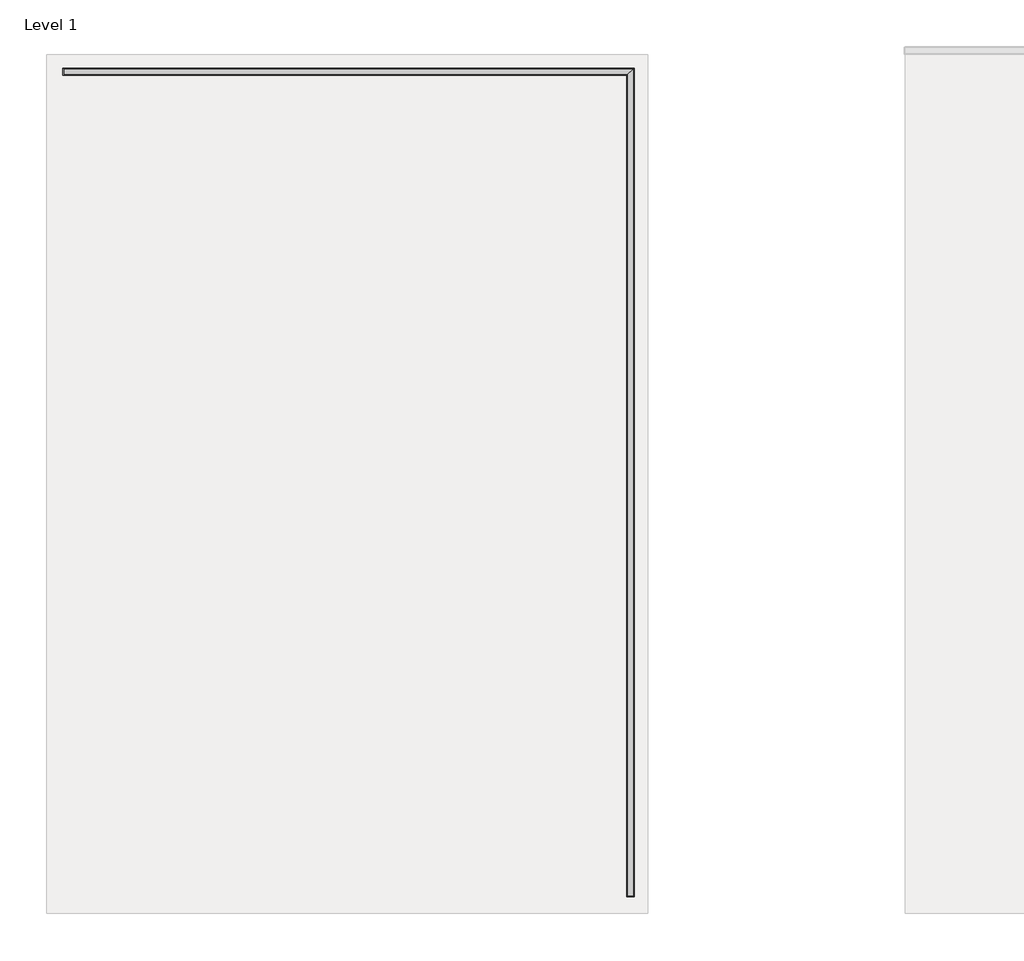
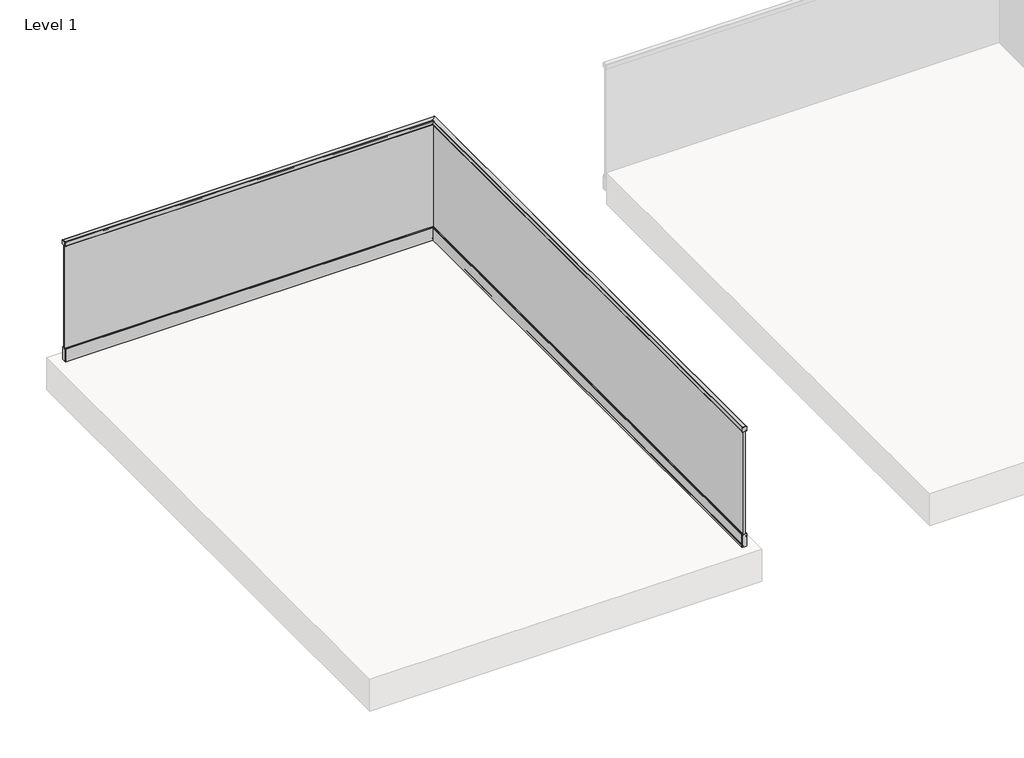
# One storey, part 6 of 11: 1 railing.
"""IFC4 building model written with IfcOpenShell, lengths in millimetres."""

from ifc_helpers import new_model, si_unit, frame, origin, place, context, project, spatial, polyline, circle_curve, ellipse_curve, outline, extrude, faceted_brep, element, save
from ifc_brep_helpers import plane_surface, cylinder_surface, revolved_surface, advanced_brep

model = new_model("IFC4")

# Units and contexts
model_context = context("Model", 3, world=origin())
ifc_project = project(units=[si_unit("LENGTHUNIT", "METRE", prefix="MILLI")], contexts=[model_context])

# Site, building, storey
site = spatial("IfcSite", under=ifc_project)
building = spatial("IfcBuilding", under=site)
storey = spatial("IfcBuildingStorey", under=building, Name="Level 1", Elevation=0.0)

# Railing
placement = place(None, origin())
element("IfcRailing", 1, at=placement, inside=storey, context=model_context, shape_type="SolidModel", body=[
    extrude(outline(polyline([(1130.0, -10249.5524845), (1130.0, -10285.5524845), (1094.0, -10285.5524845), (1094.0, -10284.0524845), (1128.5, -10284.0524845), (1128.5, -10251.0524845), (1094.0, -10251.0524845), (1094.0, -10249.5524845), (1130.0, -10249.5524845)])), frame((0.0, -40764.3362173, 0.0), z_axis=(0.0, 1.0, 0.0), x_axis=(0.0, 0.0, 1.0)), (0.0, 0.0, 1.0), 30.0),
    extrude(outline(polyline([(-10247.5524845, -40768.3362173), (-10287.5524845, -40768.3362173), (-10287.5524845, -40764.3362173), (-10247.5524845, -40764.3362173), (-10247.5524845, -40768.3362173)])), frame((0.0, 0.0, 1092.0), z_axis=(0.0, 0.0, 1.0), x_axis=(1.0, 0.0, 0.0)), (0.0, 0.0, 1.0), 40.0),
    extrude(outline(polyline([(-35981.3362173, 1130.0), (-35945.3362173, 1130.0), (-35945.3362173, 1094.0), (-35946.8362173, 1094.0), (-35946.8362173, 1128.5), (-35979.8362173, 1128.5), (-35979.8362173, 1094.0), (-35981.3362173, 1094.0), (-35981.3362173, 1130.0)])), frame((-13568.5524845, 0.0, 0.0), z_axis=(1.0, 0.0, 0.0), x_axis=(0.0, 1.0, 0.0)), (0.0, 0.0, 1.0), 30.0),
    extrude(outline(polyline([(-13572.5524845, -35983.3362173), (-13572.5524845, -35943.3362173), (-13568.5524845, -35943.3362173), (-13568.5524845, -35983.3362173), (-13572.5524845, -35983.3362173)])), frame((0.0, 0.0, 1092.0), z_axis=(0.0, 0.0, 1.0), x_axis=(1.0, 0.0, 0.0)), (0.0, 0.0, 1.0), 40.0),
    advanced_brep(
    [(-10255.5524845, -35951.3362173, 1116.0), (-10255.5524845, -35951.3362173, 1093.5), (-10255.5524845, -40763.3362173, 1093.5), (-10255.5524845, -40763.3362173, 1116.0), (-10279.5524845, -35975.3362173, 1093.5), (-10279.5524845, -35975.3362173, 1116.0), (-10279.5524845, -40763.3362173, 1116.0), (-10279.5524845, -40763.3362173, 1093.5), (-10281.0524845, -35976.8362173, 1092.0), (-10281.0524845, -40763.3362173, 1092.0), (-10286.0524845, -35981.8362173, 1092.0), (-10286.0524845, -40763.3362173, 1092.0), (-10287.5524845, -35983.3362173, 1093.5), (-10287.5524845, -40763.3362173, 1093.5), (-10287.5524845, -35983.3362173, 1130.5), (-10287.5524845, -40763.3362173, 1130.5), (-10286.0524845, -35981.8362173, 1132.0), (-10286.0524845, -40763.3362173, 1132.0), (-10249.0524845, -35944.8362173, 1132.0), (-10249.0524845, -40763.3362173, 1132.0), (-10247.5524845, -35943.3362173, 1130.5), (-10247.5524845, -40763.3362173, 1130.5), (-10247.5524845, -35943.3362173, 1093.5), (-10247.5524845, -40763.3362173, 1093.5), (-10249.0524845, -35944.8362173, 1092.0), (-10249.0524845, -40763.3362173, 1092.0), (-10254.0524845, -35949.8362173, 1092.0), (-10254.0524845, -40763.3362173, 1092.0), (-13567.5524845, -35975.3362173, 1116.0), (-13567.5524845, -35951.3362173, 1116.0), (-13567.5524845, -35975.3362173, 1093.5), (-13567.5524845, -35976.8362173, 1092.0), (-13567.5524845, -35981.8362173, 1092.0), (-13567.5524845, -35983.3362173, 1093.5), (-13567.5524845, -35983.3362173, 1130.5), (-13567.5524845, -35981.8362173, 1132.0), (-13567.5524845, -35944.8362173, 1132.0), (-13567.5524845, -35943.3362173, 1130.5), (-13567.5524845, -35943.3362173, 1093.5), (-13567.5524845, -35944.8362173, 1092.0), (-13567.5524845, -35949.8362173, 1092.0), (-13567.5524845, -35951.3362173, 1093.5), (-13568.5524845, -35951.3362173, 1116.0), (-13568.5524845, -35975.3362173, 1116.0), (-13568.5524845, -35975.3362173, 1093.5), (-13568.5524845, -35976.8362173, 1092.0), (-13568.5524845, -35981.8362173, 1092.0), (-13568.5524845, -35983.3362173, 1093.5), (-13568.5524845, -35983.3362173, 1130.5), (-13568.5524845, -35981.8362173, 1132.0), (-13568.5524845, -35944.8362173, 1132.0), (-13568.5524845, -35943.3362173, 1130.5), (-13568.5524845, -35943.3362173, 1093.5), (-13568.5524845, -35944.8362173, 1092.0), (-13568.5524845, -35949.8362173, 1092.0), (-13568.5524845, -35951.3362173, 1093.5), (-10255.5524845, -40764.3362173, 1116.0), (-10255.5524845, -40764.3362173, 1093.5), (-10254.0524845, -40764.3362173, 1092.0), (-10249.0524845, -40764.3362173, 1092.0), (-10247.5524845, -40764.3362173, 1093.5), (-10247.5524845, -40764.3362173, 1130.5), (-10249.0524845, -40764.3362173, 1132.0), (-10286.0524845, -40764.3362173, 1132.0), (-10287.5524845, -40764.3362173, 1130.5), (-10287.5524845, -40764.3362173, 1093.5), (-10286.0524845, -40764.3362173, 1092.0), (-10281.0524845, -40764.3362173, 1092.0), (-10279.5524845, -40764.3362173, 1093.5), (-10279.5524845, -40764.3362173, 1116.0)],
    [
        (0, 1),
        (1, 2),
        (2, 3),
        (3, 0),
        (4, 5),
        (5, 6),
        (6, 7),
        (7, 4),
        (5, 0),
        (3, 6),
        (8, 4, ellipse_curve(frame((-10281.0524845, -35976.8362173, 1093.5), z_axis=(0.7071067811865457, -0.7071067811865493, 0.0), x_axis=(0.7071067811865492, 0.7071067811865457, 0.0)), 2.1213203, 1.5)),
        (7, 9, circle_curve(frame((-10281.0524845, -40763.3362173, 1093.5), z_axis=(0.0, 1.0, 0.0), x_axis=(1.0, 0.0, 0.0)), 1.5)),
        (9, 8),
        (10, 8),
        (9, 11),
        (11, 10),
        (12, 10, ellipse_curve(frame((-10286.0524845, -35981.8362173, 1093.5), z_axis=(0.7071067811865457, -0.7071067811865493, 0.0), x_axis=(0.7071067811865492, 0.7071067811865457, 0.0)), 2.1213203, 1.5)),
        (11, 13, circle_curve(frame((-10286.0524845, -40763.3362173, 1093.5), z_axis=(0.0, 1.0, 0.0), x_axis=(1.0, 0.0, 0.0)), 1.5)),
        (13, 12),
        (14, 12),
        (13, 15),
        (15, 14),
        (16, 14, ellipse_curve(frame((-10286.0524845, -35981.8362173, 1130.5), z_axis=(0.7071067811865457, -0.7071067811865493, 0.0), x_axis=(0.7071067811865492, 0.7071067811865457, 0.0)), 2.1213203, 1.5)),
        (15, 17, circle_curve(frame((-10286.0524845, -40763.3362173, 1130.5), z_axis=(0.0, 1.0, 0.0), x_axis=(1.0, 0.0, 0.0)), 1.5)),
        (17, 16),
        (18, 16),
        (17, 19),
        (19, 18),
        (20, 18, ellipse_curve(frame((-10249.0524845, -35944.8362173, 1130.5), z_axis=(0.7071067811865457, -0.7071067811865493, 0.0), x_axis=(0.7071067811865492, 0.7071067811865457, 0.0)), 2.1213203, 1.5)),
        (19, 21, circle_curve(frame((-10249.0524845, -40763.3362173, 1130.5), z_axis=(0.0, 1.0, 0.0), x_axis=(1.0, 0.0, 0.0)), 1.5)),
        (21, 20),
        (22, 20),
        (21, 23),
        (23, 22),
        (24, 22, ellipse_curve(frame((-10249.0524845, -35944.8362173, 1093.5), z_axis=(0.7071067811865457, -0.7071067811865493, 0.0), x_axis=(0.7071067811865492, 0.7071067811865457, 0.0)), 2.1213203, 1.5)),
        (23, 25, circle_curve(frame((-10249.0524845, -40763.3362173, 1093.5), z_axis=(0.0, 1.0, 0.0), x_axis=(1.0, 0.0, 0.0)), 1.5)),
        (25, 24),
        (26, 24),
        (25, 27),
        (27, 26),
        (1, 26, ellipse_curve(frame((-10254.0524845, -35949.8362173, 1093.5), z_axis=(0.7071067811865457, -0.7071067811865493, 0.0), x_axis=(0.7071067811865492, 0.7071067811865457, 0.0)), 2.1213203, 1.5)),
        (27, 2, circle_curve(frame((-10254.0524845, -40763.3362173, 1093.5), z_axis=(0.0, 1.0, 0.0), x_axis=(1.0, 0.0, 0.0)), 1.5)),
        (28, 29),
        (29, 0),
        (5, 28),
        (30, 28),
        (4, 30),
        (31, 30, circle_curve(frame((-13567.5524845, -35976.8362173, 1093.5), z_axis=(1.0, 0.0, 0.0), x_axis=(0.0, 1.0, 0.0)), 1.5)),
        (8, 31),
        (32, 31),
        (10, 32),
        (33, 32, circle_curve(frame((-13567.5524845, -35981.8362173, 1093.5), z_axis=(1.0, 0.0, 0.0), x_axis=(0.0, 1.0, 0.0)), 1.5)),
        (12, 33),
        (34, 33),
        (14, 34),
        (35, 34, circle_curve(frame((-13567.5524845, -35981.8362173, 1130.5), z_axis=(1.0, 0.0, 0.0), x_axis=(0.0, 1.0, 0.0)), 1.5)),
        (16, 35),
        (36, 35),
        (18, 36),
        (37, 36, circle_curve(frame((-13567.5524845, -35944.8362173, 1130.5), z_axis=(1.0, 0.0, 0.0), x_axis=(0.0, 1.0, 0.0)), 1.5)),
        (20, 37),
        (38, 37),
        (22, 38),
        (39, 38, circle_curve(frame((-13567.5524845, -35944.8362173, 1093.5), z_axis=(1.0, 0.0, 0.0), x_axis=(0.0, 1.0, 0.0)), 1.5)),
        (24, 39),
        (40, 39),
        (26, 40),
        (41, 40, circle_curve(frame((-13567.5524845, -35949.8362173, 1093.5), z_axis=(1.0, 0.0, 0.0), x_axis=(0.0, 1.0, 0.0)), 1.5)),
        (1, 41),
        (29, 41),
        (42, 43),
        (43, 44),
        (44, 45, circle_curve(frame((-13568.5524845, -35976.8362173, 1093.5), z_axis=(-1.0, 0.0, 0.0), x_axis=(0.0, 1.0, 0.0)), 1.5)),
        (45, 46),
        (46, 47, circle_curve(frame((-13568.5524845, -35981.8362173, 1093.5), z_axis=(-1.0, 0.0, 0.0), x_axis=(0.0, 1.0, 0.0)), 1.5)),
        (47, 48),
        (48, 49, circle_curve(frame((-13568.5524845, -35981.8362173, 1130.5), z_axis=(-1.0, 0.0, 0.0), x_axis=(0.0, 1.0, 0.0)), 1.5)),
        (49, 50),
        (50, 51, circle_curve(frame((-13568.5524845, -35944.8362173, 1130.5), z_axis=(-1.0, 0.0, 0.0), x_axis=(0.0, 1.0, 0.0)), 1.5)),
        (51, 52),
        (52, 53, circle_curve(frame((-13568.5524845, -35944.8362173, 1093.5), z_axis=(-1.0, 0.0, 0.0), x_axis=(0.0, 1.0, 0.0)), 1.5)),
        (53, 54),
        (54, 55, circle_curve(frame((-13568.5524845, -35949.8362173, 1093.5), z_axis=(-1.0, 0.0, 0.0), x_axis=(0.0, 1.0, 0.0)), 1.5)),
        (55, 42),
        (42, 29),
        (28, 43),
        (30, 44),
        (31, 45),
        (32, 46),
        (33, 47),
        (34, 48),
        (35, 49),
        (36, 50),
        (37, 51),
        (38, 52),
        (39, 53),
        (40, 54),
        (41, 55),
        (56, 57),
        (57, 58, circle_curve(frame((-10254.0524845, -40764.3362173, 1093.5), z_axis=(0.0, -1.0, 0.0), x_axis=(1.0, 0.0, 0.0)), 1.5)),
        (58, 59),
        (59, 60, circle_curve(frame((-10249.0524845, -40764.3362173, 1093.5), z_axis=(0.0, -1.0, 0.0), x_axis=(1.0, 0.0, 0.0)), 1.5)),
        (60, 61),
        (61, 62, circle_curve(frame((-10249.0524845, -40764.3362173, 1130.5), z_axis=(0.0, -1.0, 0.0), x_axis=(1.0, 0.0, 0.0)), 1.5)),
        (62, 63),
        (63, 64, circle_curve(frame((-10286.0524845, -40764.3362173, 1130.5), z_axis=(0.0, -1.0, 0.0), x_axis=(1.0, 0.0, 0.0)), 1.5)),
        (64, 65),
        (65, 66, circle_curve(frame((-10286.0524845, -40764.3362173, 1093.5), z_axis=(0.0, -1.0, 0.0), x_axis=(1.0, 0.0, 0.0)), 1.5)),
        (66, 67),
        (67, 68, circle_curve(frame((-10281.0524845, -40764.3362173, 1093.5), z_axis=(0.0, -1.0, 0.0), x_axis=(1.0, 0.0, 0.0)), 1.5)),
        (68, 69),
        (69, 56),
        (3, 56),
        (69, 6),
        (68, 7),
        (67, 9),
        (66, 11),
        (65, 13),
        (64, 15),
        (63, 17),
        (62, 19),
        (61, 21),
        (60, 23),
        (59, 25),
        (58, 27),
        (57, 2),
    ],
    [
        plane_surface(frame((-10255.5524845, -35951.3362173, 1093.5), z_axis=(-1.0, 0.0, 0.0), x_axis=(0.0, -1.0, 0.0))),
        plane_surface(frame((-10279.5524845, -35975.3362173, 1116.0), z_axis=(1.0, 0.0, 0.0), x_axis=(0.0, -1.0, 0.0))),
        plane_surface(frame((-10255.5524845, -35951.3362173, 1116.0), z_axis=(0.0, 0.0, -1.0), x_axis=(0.0, -1.0, 0.0))),
        cylinder_surface(frame((-10281.0524845, -35963.3362173, 1093.5), z_axis=(0.0, 1.0, 0.0), x_axis=(1.0, 0.0, 0.0)), 1.5),
        plane_surface(frame((-10281.0524845, -35976.8362173, 1092.0), z_axis=(0.0, 0.0, -1.0), x_axis=(0.0, -1.0, 0.0))),
        cylinder_surface(frame((-10286.0524845, -35963.3362173, 1093.5), z_axis=(0.0, 1.0, 0.0), x_axis=(1.0, 0.0, 0.0)), 1.5),
        plane_surface(frame((-10287.5524845, -35983.3362173, 1093.5), z_axis=(-1.0, 0.0, 0.0), x_axis=(0.0, -1.0, 0.0))),
        cylinder_surface(frame((-10286.0524845, -35963.3362173, 1130.5), z_axis=(0.0, 1.0, 0.0), x_axis=(1.0, 0.0, 0.0)), 1.5),
        plane_surface(frame((-10286.0524845, -35981.8362173, 1132.0), z_axis=(0.0, 0.0, 1.0), x_axis=(0.0, -1.0, 0.0))),
        cylinder_surface(frame((-10249.0524845, -35963.3362173, 1130.5), z_axis=(0.0, 1.0, 0.0), x_axis=(1.0, 0.0, 0.0)), 1.5),
        plane_surface(frame((-10247.5524845, -35943.3362173, 1130.5), z_axis=(1.0, 0.0, 0.0), x_axis=(0.0, -1.0, 0.0))),
        cylinder_surface(frame((-10249.0524845, -35963.3362173, 1093.5), z_axis=(0.0, 1.0, 0.0), x_axis=(1.0, 0.0, 0.0)), 1.5),
        plane_surface(frame((-10249.0524845, -35944.8362173, 1092.0), z_axis=(0.0, 0.0, -1.0), x_axis=(0.0, -1.0, 0.0))),
        cylinder_surface(frame((-10254.0524845, -35963.3362173, 1093.5), z_axis=(0.0, 1.0, 0.0), x_axis=(1.0, 0.0, 0.0)), 1.5),
        plane_surface(frame((-13567.5524845, -35951.3362173, 1116.0), z_axis=(0.0, 0.0, -1.0), x_axis=(1.0, 0.0, 0.0))),
        plane_surface(frame((-13567.5524845, -35975.3362173, 1116.0), z_axis=(0.0, 1.0, 0.0), x_axis=(1.0, 0.0, 0.0))),
        cylinder_surface(frame((-13567.5524845, -35976.8362173, 1093.5), z_axis=(-1.0, 0.0, 0.0), x_axis=(0.0, 1.0, 0.0)), 1.5),
        plane_surface(frame((-13567.5524845, -35976.8362173, 1092.0), z_axis=(0.0, 0.0, -1.0), x_axis=(1.0, 0.0, 0.0))),
        cylinder_surface(frame((-13567.5524845, -35981.8362173, 1093.5), z_axis=(-1.0, 0.0, 0.0), x_axis=(0.0, 1.0, 0.0)), 1.5),
        plane_surface(frame((-13567.5524845, -35983.3362173, 1093.5), z_axis=(0.0, -1.0, 0.0), x_axis=(1.0, 0.0, 0.0))),
        cylinder_surface(frame((-13567.5524845, -35981.8362173, 1130.5), z_axis=(-1.0, 0.0, 0.0), x_axis=(0.0, 1.0, 0.0)), 1.5),
        plane_surface(frame((-13567.5524845, -35981.8362173, 1132.0), z_axis=(0.0, 0.0, 1.0), x_axis=(1.0, 0.0, 0.0))),
        cylinder_surface(frame((-13567.5524845, -35944.8362173, 1130.5), z_axis=(-1.0, 0.0, 0.0), x_axis=(0.0, 1.0, 0.0)), 1.5),
        plane_surface(frame((-13567.5524845, -35943.3362173, 1130.5), z_axis=(0.0, 1.0, 0.0), x_axis=(1.0, 0.0, 0.0))),
        cylinder_surface(frame((-13567.5524845, -35944.8362173, 1093.5), z_axis=(-1.0, 0.0, 0.0), x_axis=(0.0, 1.0, 0.0)), 1.5),
        plane_surface(frame((-13567.5524845, -35944.8362173, 1092.0), z_axis=(0.0, 0.0, -1.0), x_axis=(1.0, 0.0, 0.0))),
        cylinder_surface(frame((-13567.5524845, -35949.8362173, 1093.5), z_axis=(-1.0, 0.0, 0.0), x_axis=(0.0, 1.0, 0.0)), 1.5),
        plane_surface(frame((-13567.5524845, -35951.3362173, 1093.5), z_axis=(0.0, -1.0, 0.0), x_axis=(1.0, 0.0, 0.0))),
        plane_surface(frame((-13568.5524845, -35963.3362173, 1116.0), z_axis=(-1.0, 0.0, 0.0), x_axis=(0.0, 1.0, 0.0))),
        plane_surface(frame((-13568.5524845, -35951.3362173, 1116.0), z_axis=(0.0, 0.0, -1.0), x_axis=(1.0, 0.0, 0.0))),
        plane_surface(frame((-13568.5524845, -35975.3362173, 1116.0), z_axis=(0.0, 1.0, 0.0), x_axis=(1.0, 0.0, 0.0))),
        cylinder_surface(frame((-13568.5524845, -35976.8362173, 1093.5), z_axis=(-1.0, 0.0, 0.0), x_axis=(0.0, 1.0, 0.0)), 1.5),
        plane_surface(frame((-13568.5524845, -35976.8362173, 1092.0), z_axis=(0.0, 0.0, -1.0), x_axis=(1.0, 0.0, 0.0))),
        cylinder_surface(frame((-13568.5524845, -35981.8362173, 1093.5), z_axis=(-1.0, 0.0, 0.0), x_axis=(0.0, 1.0, 0.0)), 1.5),
        plane_surface(frame((-13568.5524845, -35983.3362173, 1093.5), z_axis=(0.0, -1.0, 0.0), x_axis=(1.0, 0.0, 0.0))),
        cylinder_surface(frame((-13568.5524845, -35981.8362173, 1130.5), z_axis=(-1.0, 0.0, 0.0), x_axis=(0.0, 1.0, 0.0)), 1.5),
        plane_surface(frame((-13568.5524845, -35981.8362173, 1132.0), z_axis=(0.0, 0.0, 1.0), x_axis=(1.0, 0.0, 0.0))),
        cylinder_surface(frame((-13568.5524845, -35944.8362173, 1130.5), z_axis=(-1.0, 0.0, 0.0), x_axis=(0.0, 1.0, 0.0)), 1.5),
        plane_surface(frame((-13568.5524845, -35943.3362173, 1130.5), z_axis=(0.0, 1.0, 0.0), x_axis=(1.0, 0.0, 0.0))),
        cylinder_surface(frame((-13568.5524845, -35944.8362173, 1093.5), z_axis=(-1.0, 0.0, 0.0), x_axis=(0.0, 1.0, 0.0)), 1.5),
        plane_surface(frame((-13568.5524845, -35944.8362173, 1092.0), z_axis=(0.0, 0.0, -1.0), x_axis=(1.0, 0.0, 0.0))),
        cylinder_surface(frame((-13568.5524845, -35949.8362173, 1093.5), z_axis=(-1.0, 0.0, 0.0), x_axis=(0.0, 1.0, 0.0)), 1.5),
        plane_surface(frame((-13568.5524845, -35951.3362173, 1093.5), z_axis=(0.0, -1.0, 0.0), x_axis=(1.0, 0.0, 0.0))),
        plane_surface(frame((-10267.5524845, -40764.3362173, 1116.0), z_axis=(0.0, -1.0, 0.0), x_axis=(0.0, 0.0, -1.0))),
        plane_surface(frame((-10255.5524845, -40763.3362173, 1116.0), z_axis=(0.0, 0.0, -1.0), x_axis=(0.0, -1.0, 0.0))),
        plane_surface(frame((-10279.5524845, -40763.3362173, 1116.0), z_axis=(1.0, 0.0, 0.0), x_axis=(0.0, -1.0, 0.0))),
        cylinder_surface(frame((-10281.0524845, -40763.3362173, 1093.5), z_axis=(0.0, 1.0, 0.0), x_axis=(1.0, 0.0, 0.0)), 1.5),
        plane_surface(frame((-10281.0524845, -40763.3362173, 1092.0), z_axis=(0.0, 0.0, -1.0), x_axis=(0.0, -1.0, 0.0))),
        cylinder_surface(frame((-10286.0524845, -40763.3362173, 1093.5), z_axis=(0.0, 1.0, 0.0), x_axis=(1.0, 0.0, 0.0)), 1.5),
        plane_surface(frame((-10287.5524845, -40763.3362173, 1093.5), z_axis=(-1.0, 0.0, 0.0), x_axis=(0.0, -1.0, 0.0))),
        cylinder_surface(frame((-10286.0524845, -40763.3362173, 1130.5), z_axis=(0.0, 1.0, 0.0), x_axis=(1.0, 0.0, 0.0)), 1.5),
        plane_surface(frame((-10286.0524845, -40763.3362173, 1132.0), z_axis=(0.0, 0.0, 1.0), x_axis=(0.0, -1.0, 0.0))),
        cylinder_surface(frame((-10249.0524845, -40763.3362173, 1130.5), z_axis=(0.0, 1.0, 0.0), x_axis=(1.0, 0.0, 0.0)), 1.5),
        plane_surface(frame((-10247.5524845, -40763.3362173, 1130.5), z_axis=(1.0, 0.0, 0.0), x_axis=(0.0, -1.0, 0.0))),
        cylinder_surface(frame((-10249.0524845, -40763.3362173, 1093.5), z_axis=(0.0, 1.0, 0.0), x_axis=(1.0, 0.0, 0.0)), 1.5),
        plane_surface(frame((-10249.0524845, -40763.3362173, 1092.0), z_axis=(0.0, 0.0, -1.0), x_axis=(0.0, -1.0, 0.0))),
        cylinder_surface(frame((-10254.0524845, -40763.3362173, 1093.5), z_axis=(0.0, 1.0, 0.0), x_axis=(1.0, 0.0, 0.0)), 1.5),
        plane_surface(frame((-10255.5524845, -40763.3362173, 1093.5), z_axis=(-1.0, 0.0, 0.0), x_axis=(0.0, -1.0, 0.0))),
    ],
    [
        (0, [[1, 2, 3, 4]]),
        (1, [[5, 6, 7, 8]]),
        (2, [[9, -4, 10, -6]]),
        (3, [[11, -8, 12, 13]]),
        (4, [[14, -13, 15, 16]]),
        (5, [[17, -16, 18, 19]]),
        (6, [[20, -19, 21, 22]]),
        (7, [[23, -22, 24, 25]]),
        (8, [[26, -25, 27, 28]]),
        (9, [[29, -28, 30, 31]]),
        (10, [[32, -31, 33, 34]]),
        (11, [[35, -34, 36, 37]]),
        (12, [[38, -37, 39, 40]]),
        (13, [[41, -40, 42, -2]]),
        (14, [[43, 44, -9, 45]]),
        (15, [[46, -45, -5, 47]]),
        (16, [[48, -47, -11, 49]]),
        (17, [[50, -49, -14, 51]]),
        (18, [[52, -51, -17, 53]]),
        (19, [[54, -53, -20, 55]]),
        (20, [[56, -55, -23, 57]]),
        (21, [[58, -57, -26, 59]]),
        (22, [[60, -59, -29, 61]]),
        (23, [[62, -61, -32, 63]]),
        (24, [[64, -63, -35, 65]]),
        (25, [[66, -65, -38, 67]]),
        (26, [[68, -67, -41, 69]]),
        (27, [[70, -69, -1, -44]]),
        (28, [[71, 72, 73, 74, 75, 76, 77, 78, 79, 80, 81, 82, 83, 84]]),
        (29, [[-71, 85, -43, 86]]),
        (30, [[-72, -86, -46, 87]]),
        (31, [[-73, -87, -48, 88]]),
        (32, [[-74, -88, -50, 89]]),
        (33, [[-75, -89, -52, 90]]),
        (34, [[-76, -90, -54, 91]]),
        (35, [[-77, -91, -56, 92]]),
        (36, [[-78, -92, -58, 93]]),
        (37, [[-79, -93, -60, 94]]),
        (38, [[-80, -94, -62, 95]]),
        (39, [[-81, -95, -64, 96]]),
        (40, [[-82, -96, -66, 97]]),
        (41, [[-83, -97, -68, 98]]),
        (42, [[-84, -98, -70, -85]]),
        (43, [[99, 100, 101, 102, 103, 104, 105, 106, 107, 108, 109, 110, 111, 112]]),
        (44, [[-10, 113, -112, 114]]),
        (45, [[-7, -114, -111, 115]]),
        (46, [[-12, -115, -110, 116]]),
        (47, [[-15, -116, -109, 117]]),
        (48, [[-18, -117, -108, 118]]),
        (49, [[-21, -118, -107, 119]]),
        (50, [[-24, -119, -106, 120]]),
        (51, [[-27, -120, -105, 121]]),
        (52, [[-30, -121, -104, 122]]),
        (53, [[-33, -122, -103, 123]]),
        (54, [[-36, -123, -102, 124]]),
        (55, [[-39, -124, -101, 125]]),
        (56, [[-42, -125, -100, 126]]),
        (57, [[-3, -126, -99, -113]]),
    ],
),
    faceted_brep([(-10258.7924845, -40763.3362173, 1113.0), (-10276.3124845, -40763.3362173, 1113.0), (-10276.3124845, -40763.3362173, 13.0), (-10258.7924845, -40763.3362173, 13.0), (-10276.3124845, -35972.0962173, 1113.0), (-10276.3124845, -35972.0962173, 13.0), (-10258.7924845, -35954.5762173, 1113.0), (-13567.5524845, -35954.5762173, 1113.0), (-13567.5524845, -35954.5762173, 13.0), (-13567.5524845, -35972.0962173, 13.0), (-13567.5524845, -35972.0962173, 1113.0), (-10258.7924845, -35954.5762173, 13.0)], [[[0, 1, 2, 3]], [[4, 5, 2, 1]], [[6, 4, 1, 0]], [[7, 8, 9, 10]], [[10, 9, 5, 4]], [[7, 10, 4, 6]], [[9, 8, 11, 5]], [[8, 7, 6, 11]], [[5, 11, 3, 2]], [[11, 6, 0, 3]]]),
    advanced_brep(
    [(-10288.5524845, -40763.3362173, 120.0004585), (-10288.5524845, -40763.3362173, 0.0), (-10246.5524845, -40763.3362173, 0.0), (-10246.5524845, -40763.3362173, 120.0), (-10252.2524845, -40763.3362173, 120.0), (-10252.2524845, -40763.3362173, 100.0), (-10251.2524845, -40763.3362173, 99.4226497), (-10255.0524845, -40763.3362173, 76.5), (-10255.0524845, -40763.3362173, 11.0), (-10256.0524845, -40763.3362173, 10.0), (-10279.0524845, -40763.3362173, 10.0), (-10280.0524845, -40763.3362173, 11.0), (-10280.0524845, -40763.3362173, 30.0), (-10284.0905991, -40763.3362173, 120.0004585), (-13567.5524845, -35984.3362173, 120.0004585), (-13567.5524845, -35979.8743319, 120.0004585), (-13567.5524845, -35975.8362173, 30.0), (-13567.5524845, -35975.8362173, 11.0), (-13567.5524845, -35974.8362173, 10.0), (-13567.5524845, -35951.8362173, 10.0), (-13567.5524845, -35950.8362173, 11.0), (-13567.5524845, -35950.8362173, 76.5), (-13567.5524845, -35947.0362173, 99.4226497), (-13567.5524845, -35948.0362173, 100.0), (-13567.5524845, -35948.0362173, 120.0), (-13567.5524845, -35942.3362173, 120.0), (-13567.5524845, -35942.3362173, 0.0), (-13567.5524845, -35984.3362173, 0.0), (-10288.5524845, -35984.3362173, 120.0004585), (-10284.0905991, -35979.8743319, 120.0004585), (-10280.0524845, -35975.8362173, 30.0), (-10280.0524845, -35975.8362173, 11.0), (-10279.0524845, -35974.8362173, 10.0), (-10256.0524845, -35951.8362173, 10.0), (-10255.0524845, -35950.8362173, 11.0), (-10255.0524845, -35950.8362173, 76.5), (-10251.2524845, -35947.0362173, 99.4226497), (-10252.2524845, -35948.0362173, 100.0), (-10252.2524845, -35948.0362173, 120.0), (-10246.5524845, -35942.3362173, 120.0), (-10246.5524845, -35942.3362173, 0.0), (-10288.5524845, -35984.3362173, 0.0)],
    [
        (0, 1),
        (1, 2),
        (2, 3),
        (3, 4),
        (4, 5),
        (5, 6),
        (6, 7),
        (7, 8),
        (8, 9, circle_curve(frame((-10256.0524845, -40763.3362173, 11.0), z_axis=(0.0, 1.0, 0.0), x_axis=(1.0, 0.0, 0.0)), 1.0)),
        (9, 10),
        (10, 11, circle_curve(frame((-10279.0524845, -40763.3362173, 11.0), z_axis=(0.0, 1.0, 0.0), x_axis=(1.0, 0.0, 0.0)), 1.0)),
        (11, 12),
        (12, 13),
        (13, 0),
        (14, 15),
        (15, 16),
        (16, 17),
        (17, 18, circle_curve(frame((-13567.5524845, -35974.8362173, 11.0), z_axis=(1.0, 0.0, 0.0), x_axis=(0.0, 1.0, 0.0)), 1.0)),
        (18, 19),
        (19, 20, circle_curve(frame((-13567.5524845, -35951.8362173, 11.0), z_axis=(1.0, 0.0, 0.0), x_axis=(0.0, 1.0, 0.0)), 1.0)),
        (20, 21),
        (21, 22),
        (22, 23),
        (23, 24),
        (24, 25),
        (25, 26),
        (26, 27),
        (27, 14),
        (14, 28),
        (28, 29),
        (29, 15),
        (29, 30),
        (30, 16),
        (30, 31),
        (31, 17),
        (31, 32, ellipse_curve(frame((-10279.0524845, -35974.8362173, 11.0), z_axis=(0.7071067811865457, -0.7071067811865493, 0.0), x_axis=(0.7071067811865492, 0.7071067811865458, 0.0)), 1.4142136, 1.0)),
        (32, 18),
        (32, 33),
        (33, 19),
        (33, 34, ellipse_curve(frame((-10256.0524845, -35951.8362173, 11.0), z_axis=(0.7071067811865457, -0.7071067811865493, 0.0), x_axis=(0.7071067811865492, 0.7071067811865458, 0.0)), 1.4142136, 1.0)),
        (34, 20),
        (34, 35),
        (35, 21),
        (35, 36),
        (36, 22),
        (36, 37),
        (37, 23),
        (37, 38),
        (38, 24),
        (38, 39),
        (39, 25),
        (39, 40),
        (40, 26),
        (40, 41),
        (41, 27),
        (41, 28),
        (28, 0),
        (13, 29),
        (12, 30),
        (11, 31),
        (10, 32),
        (9, 33),
        (8, 34),
        (7, 35),
        (6, 36),
        (5, 37),
        (4, 38),
        (3, 39),
        (2, 40),
        (1, 41),
    ],
    [
        plane_surface(frame((-10267.5524845, -40763.3362173, 0.0), z_axis=(0.0, -1.0, 0.0), x_axis=(0.0, 0.0, -1.0))),
        plane_surface(frame((-13567.5524845, -35963.3362173, 0.0), z_axis=(-1.0, 0.0, 0.0), x_axis=(0.0, 1.0, 0.0))),
        plane_surface(frame((-13567.5524845, -35984.3362173, 120.0004585), z_axis=(0.0, 0.0, 1.0), x_axis=(1.0, 0.0, 0.0))),
        plane_surface(frame((-13567.5524845, -35979.8743319, 120.0004585), z_axis=(0.0, 0.9989949613987466, 0.04482261817338354), x_axis=(1.0, 0.0, 0.0))),
        plane_surface(frame((-13567.5524845, -35975.8362173, 30.0), z_axis=(0.0, 1.0, 0.0), x_axis=(1.0, 0.0, 0.0))),
        revolved_surface(polyline([(-10278.052484473394, -35973.8362173, 11.0), (-13567.5524845, -35973.8362173, 11.0)]), (-13567.5524845, -35974.8362173, 11.0), (1.0, 0.0, 0.0)),
        plane_surface(frame((-13567.5524845, -35974.8362173, 10.0), z_axis=(0.0, 0.0, 1.0), x_axis=(1.0, 0.0, 0.0))),
        revolved_surface(polyline([(-10255.052484473394, -35950.8362173, 11.0), (-13567.5524845, -35950.8362173, 11.0)]), (-13567.5524845, -35951.8362173, 11.0), (1.0, 0.0, 0.0)),
        plane_surface(frame((-13567.5524845, -35950.8362173, 11.0), z_axis=(0.0, -1.0, 0.0), x_axis=(1.0, 0.0, 0.0))),
        plane_surface(frame((-13567.5524845, -35950.8362173, 76.5), z_axis=(0.0, -0.9865362159973996, 0.16354294397965358), x_axis=(1.0, 0.0, 0.0))),
        plane_surface(frame((-13567.5524845, -35947.0362173, 99.4226497), z_axis=(0.0, -0.4999999999996219, -0.866025403784657), x_axis=(1.0, 0.0, 0.0))),
        plane_surface(frame((-13567.5524845, -35948.0362173, 100.0), z_axis=(0.0, -1.0, 0.0), x_axis=(1.0, 0.0, 0.0))),
        plane_surface(frame((-13567.5524845, -35948.0362173, 120.0), z_axis=(0.0, 0.0, 1.0), x_axis=(1.0, 0.0, 0.0))),
        plane_surface(frame((-13567.5524845, -35942.3362173, 120.0), z_axis=(0.0, 1.0, 0.0), x_axis=(1.0, 0.0, 0.0))),
        plane_surface(frame((-13567.5524845, -35942.3362173, 0.0), z_axis=(0.0, 0.0, -1.0), x_axis=(1.0, 0.0, 0.0))),
        plane_surface(frame((-13567.5524845, -35984.3362173, 0.0), z_axis=(0.0, -1.0, 0.0), x_axis=(1.0, 0.0, 0.0))),
        plane_surface(frame((-10288.5524845, -35984.3362173, 120.0004585), z_axis=(0.0, 0.0, 1.0), x_axis=(0.0, -1.0, 0.0))),
        plane_surface(frame((-10284.0905991, -35979.8743319, 120.0004585), z_axis=(0.9989949613987466, 0.0, 0.04482261817338354), x_axis=(0.0, -1.0, 0.0))),
        plane_surface(frame((-10280.0524845, -35975.8362173, 30.0), z_axis=(1.0, 0.0, 0.0), x_axis=(0.0, -1.0, 0.0))),
        revolved_surface(polyline([(-10278.0524845, -40763.3362173, 11.0), (-10278.0524845, -35973.83621727339, 11.0)]), (-10279.0524845, -35963.3362173, 11.0), (0.0, -1.0, 0.0)),
        plane_surface(frame((-10279.0524845, -35974.8362173, 10.0), z_axis=(0.0, 0.0, 1.0), x_axis=(0.0, -1.0, 0.0))),
        revolved_surface(polyline([(-10255.0524845, -40763.3362173, 11.0), (-10255.0524845, -35950.83621727339, 11.0)]), (-10256.0524845, -35963.3362173, 11.0), (0.0, -1.0, 0.0)),
        plane_surface(frame((-10255.0524845, -35950.8362173, 11.0), z_axis=(-1.0, 0.0, 0.0), x_axis=(0.0, -1.0, 0.0))),
        plane_surface(frame((-10255.0524845, -35950.8362173, 76.5), z_axis=(-0.9865362159973996, 0.0, 0.16354294397965358), x_axis=(0.0, -1.0, 0.0))),
        plane_surface(frame((-10251.2524845, -35947.0362173, 99.4226497), z_axis=(-0.4999999999996219, 0.0, -0.866025403784657), x_axis=(0.0, -1.0, 0.0))),
        plane_surface(frame((-10252.2524845, -35948.0362173, 100.0), z_axis=(-1.0, 0.0, 0.0), x_axis=(0.0, -1.0, 0.0))),
        plane_surface(frame((-10252.2524845, -35948.0362173, 120.0), z_axis=(0.0, 0.0, 1.0), x_axis=(0.0, -1.0, 0.0))),
        plane_surface(frame((-10246.5524845, -35942.3362173, 120.0), z_axis=(1.0, 0.0, 0.0), x_axis=(0.0, -1.0, 0.0))),
        plane_surface(frame((-10246.5524845, -35942.3362173, 0.0), z_axis=(0.0, 0.0, -1.0), x_axis=(0.0, -1.0, 0.0))),
        plane_surface(frame((-10288.5524845, -35984.3362173, 0.0), z_axis=(-1.0, 0.0, 0.0), x_axis=(0.0, -1.0, 0.0))),
    ],
    [
        (0, [[1, 2, 3, 4, 5, 6, 7, 8, 9, 10, 11, 12, 13, 14]]),
        (1, [[15, 16, 17, 18, 19, 20, 21, 22, 23, 24, 25, 26, 27, 28]]),
        (2, [[-15, 29, 30, 31]]),
        (3, [[-16, -31, 32, 33]]),
        (4, [[-17, -33, 34, 35]]),
        (5, [[-18, -35, 36, 37]]),
        (6, [[-19, -37, 38, 39]]),
        (7, [[-20, -39, 40, 41]]),
        (8, [[-21, -41, 42, 43]]),
        (9, [[-22, -43, 44, 45]]),
        (10, [[-23, -45, 46, 47]]),
        (11, [[-24, -47, 48, 49]]),
        (12, [[-25, -49, 50, 51]]),
        (13, [[-26, -51, 52, 53]]),
        (14, [[-27, -53, 54, 55]]),
        (15, [[-28, -55, 56, -29]]),
        (16, [[-30, 57, -14, 58]]),
        (17, [[-32, -58, -13, 59]]),
        (18, [[-34, -59, -12, 60]]),
        (19, [[-36, -60, -11, 61]]),
        (20, [[-38, -61, -10, 62]]),
        (21, [[-40, -62, -9, 63]]),
        (22, [[-42, -63, -8, 64]]),
        (23, [[-44, -64, -7, 65]]),
        (24, [[-46, -65, -6, 66]]),
        (25, [[-48, -66, -5, 67]]),
        (26, [[-50, -67, -4, 68]]),
        (27, [[-52, -68, -3, 69]]),
        (28, [[-54, -69, -2, 70]]),
        (29, [[-56, -70, -1, -57]]),
    ],
),
    faceted_brep([(-10280.1367966, -40763.3362173, 36.3411595), (-10278.1615116, -40763.3362173, 36.3411595), (-10278.1615116, -40763.3362173, 88.8444794), (-10282.4925004, -40763.3362173, 88.8444794), (-13567.5524845, -35975.9205294, 36.3411595), (-13567.5524845, -35978.2762332, 88.8444794), (-13567.5524845, -35973.9452444, 88.8444794), (-13567.5524845, -35973.9452444, 36.3411595), (-10280.1367966, -35975.9205294, 36.3411595), (-10282.4925004, -35978.2762332, 88.8444794), (-10278.1615116, -35973.9452444, 88.8444794), (-10278.1615116, -35973.9452444, 36.3411595)], [[[0, 1, 2, 3]], [[4, 5, 6, 7]], [[5, 4, 8, 9]], [[6, 5, 9, 10]], [[7, 6, 10, 11]], [[4, 7, 11, 8]], [[9, 8, 0, 3]], [[10, 9, 3, 2]], [[11, 10, 2, 1]], [[8, 11, 1, 0]]]),
    advanced_brep(
    [(-10283.5054952, -40763.3362173, 111.4218461), (-10282.1516946, -40763.3362173, 108.3554881), (-10279.0780692, -40763.3362173, 108.3554881), (-10278.1024845, -40763.3362173, 109.1358647), (-10278.1024845, -40763.3362173, 121.8767848), (-10278.697889, -40763.3362173, 122.3675984), (-10283.9507934, -40763.3362173, 121.3465372), (-13567.5524845, -35979.289228, 111.4218461), (-13567.5524845, -35979.7345262, 121.3465372), (-13567.5524845, -35974.4816218, 122.3675984), (-13567.5524845, -35973.8862173, 121.8767848), (-13567.5524845, -35973.8862173, 109.1358647), (-13567.5524845, -35974.861802, 108.3554881), (-13567.5524845, -35977.9354274, 108.3554881), (-10283.5054952, -35979.289228, 111.4218461), (-10283.9507934, -35979.7345262, 121.3465372), (-10278.697889, -35974.4816218, 122.3675984), (-10278.1024845, -35973.8862173, 121.8767848), (-10278.1024845, -35973.8862173, 109.1358647), (-10279.0780692, -35974.861802, 108.3554881), (-10282.1516946, -35977.9354274, 108.3554881)],
    [
        (0, 1, circle_curve(frame((-10267.9018545, -40763.3362173, 116.4788401), z_axis=(0.0, -1.0, 0.0), x_axis=(1.0, 0.0, 0.0)), 16.4026458)),
        (1, 2),
        (2, 3, circle_curve(frame((-10279.0780692, -40763.3362173, 109.3554881), z_axis=(0.0, -1.0, 0.0), x_axis=(1.0, 0.0, 0.0)), 1.0)),
        (3, 4),
        (4, 5, circle_curve(frame((-10278.6024845, -40763.3362173, 121.8767848), z_axis=(0.0, -1.0, 0.0), x_axis=(1.0, 0.0, 0.0)), 0.5)),
        (5, 6),
        (6, 0),
        (7, 8),
        (8, 9),
        (9, 10, circle_curve(frame((-13567.5524845, -35974.3862173, 121.8767848), z_axis=(-1.0, 0.0, 0.0), x_axis=(0.0, 1.0, 0.0)), 0.5)),
        (10, 11),
        (11, 12, circle_curve(frame((-13567.5524845, -35974.861802, 109.3554881), z_axis=(-1.0, 0.0, 0.0), x_axis=(0.0, 1.0, 0.0)), 1.0)),
        (12, 13),
        (13, 7, circle_curve(frame((-13567.5524845, -35963.6855874, 116.4788401), z_axis=(-1.0, 0.0, 0.0), x_axis=(0.0, 1.0, 0.0)), 16.4026458)),
        (7, 14),
        (14, 15),
        (15, 8),
        (15, 16),
        (16, 9),
        (16, 17, ellipse_curve(frame((-10278.6024845, -35974.3862173, 121.8767848), z_axis=(-0.7071067811865457, 0.7071067811865493, 0.0), x_axis=(-0.7071067811865492, -0.7071067811865458, 0.0)), 0.7071068, 0.5)),
        (17, 10),
        (17, 18),
        (18, 11),
        (18, 19, ellipse_curve(frame((-10279.0780692, -35974.861802, 109.3554881), z_axis=(-0.7071067811865457, 0.7071067811865493, 0.0), x_axis=(-0.7071067811865492, -0.7071067811865458, 0.0)), 1.4142136, 1.0)),
        (19, 12),
        (19, 20),
        (20, 13),
        (20, 14, ellipse_curve(frame((-10267.9018545, -35963.6855874, 116.4788401), z_axis=(-0.7071067811865457, 0.7071067811865493, 0.0), x_axis=(-0.7071067811865492, -0.7071067811865458, 0.0)), 23.1968442, 16.4026458)),
        (14, 0),
        (6, 15),
        (5, 16),
        (4, 17),
        (3, 18),
        (2, 19),
        (1, 20),
    ],
    [
        plane_surface(frame((-10267.5524845, -40763.3362173, 0.0), z_axis=(0.0, -1.0, 0.0), x_axis=(0.0, 0.0, -1.0))),
        plane_surface(frame((-13567.5524845, -35963.3362173, 0.0), z_axis=(-1.0, 0.0, 0.0), x_axis=(0.0, 1.0, 0.0))),
        plane_surface(frame((-13567.5524845, -35979.289228, 111.4218461), z_axis=(0.0, -0.9989949613987466, -0.04482261817338369), x_axis=(1.0, 0.0, 0.0))),
        plane_surface(frame((-13567.5524845, -35979.7345262, 121.3465372), z_axis=(0.0, -0.19080899537654455, 0.9816271834476641), x_axis=(1.0, 0.0, 0.0))),
        cylinder_surface(frame((-13567.5524845, -35974.3862173, 121.8767848), z_axis=(-1.0, 0.0, 0.0), x_axis=(0.0, 1.0, 0.0)), 0.5),
        plane_surface(frame((-13567.5524845, -35973.8862173, 121.8767848), z_axis=(0.0, 1.0, 0.0), x_axis=(1.0, 0.0, 0.0))),
        cylinder_surface(frame((-13567.5524845, -35974.861802, 109.3554881), z_axis=(-1.0, 0.0, 0.0), x_axis=(0.0, 1.0, 0.0)), 1.0),
        plane_surface(frame((-13567.5524845, -35974.861802, 108.3554881), z_axis=(0.0, 0.0, -1.0), x_axis=(1.0, 0.0, 0.0))),
        cylinder_surface(frame((-13567.5524845, -35963.6855874, 116.4788401), z_axis=(-1.0, 0.0, 0.0), x_axis=(0.0, 1.0, 0.0)), 16.4026458),
        plane_surface(frame((-10283.5054952, -35979.289228, 111.4218461), z_axis=(-0.9989949613987466, 0.0, -0.04482261817338369), x_axis=(0.0, -1.0, 0.0))),
        plane_surface(frame((-10283.9507934, -35979.7345262, 121.3465372), z_axis=(-0.19080899537654455, 0.0, 0.9816271834476641), x_axis=(0.0, -1.0, 0.0))),
        cylinder_surface(frame((-10278.6024845, -35963.3362173, 121.8767848), z_axis=(0.0, 1.0, 0.0), x_axis=(1.0, 0.0, 0.0)), 0.5),
        plane_surface(frame((-10278.1024845, -35973.8862173, 121.8767848), z_axis=(1.0, 0.0, 0.0), x_axis=(0.0, -1.0, 0.0))),
        cylinder_surface(frame((-10279.0780692, -35963.3362173, 109.3554881), z_axis=(0.0, 1.0, 0.0), x_axis=(1.0, 0.0, 0.0)), 1.0),
        plane_surface(frame((-10279.0780692, -35974.861802, 108.3554881), z_axis=(0.0, 0.0, -1.0), x_axis=(0.0, -1.0, 0.0))),
        cylinder_surface(frame((-10267.9018545, -35963.3362173, 116.4788401), z_axis=(0.0, 1.0, 0.0), x_axis=(1.0, 0.0, 0.0)), 16.4026458),
    ],
    [
        (0, [[1, 2, 3, 4, 5, 6, 7]]),
        (1, [[8, 9, 10, 11, 12, 13, 14]]),
        (2, [[-8, 15, 16, 17]]),
        (3, [[-9, -17, 18, 19]]),
        (4, [[-10, -19, 20, 21]]),
        (5, [[-11, -21, 22, 23]]),
        (6, [[-12, -23, 24, 25]]),
        (7, [[-13, -25, 26, 27]]),
        (8, [[-14, -27, 28, -15]]),
        (9, [[-16, 29, -7, 30]]),
        (10, [[-18, -30, -6, 31]]),
        (11, [[-20, -31, -5, 32]]),
        (12, [[-22, -32, -4, 33]]),
        (13, [[-24, -33, -3, 34]]),
        (14, [[-26, -34, -2, 35]]),
        (15, [[-28, -35, -1, -29]]),
    ],
),
    advanced_brep(
    [(-10256.2524845, -40763.3362173, 10.2), (-10255.2524845, -40763.3362173, 11.2), (-10255.2524845, -40763.3362173, 76.5164651), (-10251.4724455, -40763.3362173, 99.3187042), (-10252.4524845, -40763.3362173, 99.8845299), (-10252.4524845, -40763.3362173, 120.914931), (-10256.1283203, -40763.3362173, 123.0824789), (-10257.0024845, -40763.3362173, 122.7508146), (-10257.0024845, -40763.3362173, 12.0), (-10277.8654461, -40763.3362173, 12.0), (-10278.1509663, -40763.3362173, 10.2), (-13567.5524845, -35952.0362173, 10.2), (-13567.5524845, -35973.9346992, 10.2), (-13567.5524845, -35973.649179, 12.0), (-13567.5524845, -35952.7862173, 12.0), (-13567.5524845, -35952.7862173, 122.7508146), (-13567.5524845, -35951.9120532, 123.0824789), (-13567.5524845, -35948.2362173, 120.914931), (-13567.5524845, -35948.2362173, 99.8845299), (-13567.5524845, -35947.2561784, 99.3187042), (-13567.5524845, -35951.0362173, 76.5164651), (-13567.5524845, -35951.0362173, 11.2), (-10256.2524845, -35952.0362173, 10.2), (-10278.1509663, -35973.9346992, 10.2), (-10277.8654461, -35973.649179, 12.0), (-10257.0024845, -35952.7862173, 12.0), (-10257.0024845, -35952.7862173, 122.7508146), (-10256.1283203, -35951.9120532, 123.0824789), (-10252.4524845, -35948.2362173, 120.914931), (-10252.4524845, -35948.2362173, 99.8845299), (-10251.4724455, -35947.2561784, 99.3187042), (-10255.2524845, -35951.0362173, 76.5164651), (-10255.2524845, -35951.0362173, 11.2)],
    [
        (0, 1, circle_curve(frame((-10256.2524845, -40763.3362173, 11.2), z_axis=(0.0, -1.0, 0.0), x_axis=(1.0, 0.0, 0.0)), 1.0)),
        (1, 2),
        (2, 3),
        (3, 4),
        (4, 5),
        (5, 6, circle_curve(frame((-10250.9387724, -40763.3362173, 127.6825664), z_axis=(0.0, 1.0, 0.0), x_axis=(1.0, 0.0, 0.0)), 6.9348549)),
        (6, 7, circle_curve(frame((-10256.5024845, -40763.3362173, 122.7508146), z_axis=(0.0, -1.0, 0.0), x_axis=(1.0, 0.0, 0.0)), 0.5)),
        (7, 8),
        (8, 9),
        (9, 10, circle_curve(frame((-10277.4940214, -40763.3362173, 11.0184388), z_axis=(0.0, -1.0, 0.0), x_axis=(1.0, 0.0, 0.0)), 1.049485)),
        (10, 0),
        (11, 12),
        (12, 13, circle_curve(frame((-13567.5524845, -35973.2777543, 11.0184388), z_axis=(-1.0, 0.0, 0.0), x_axis=(0.0, 1.0, 0.0)), 1.049485)),
        (13, 14),
        (14, 15),
        (15, 16, circle_curve(frame((-13567.5524845, -35952.2862173, 122.7508146), z_axis=(-1.0, 0.0, 0.0), x_axis=(0.0, 1.0, 0.0)), 0.5)),
        (16, 17, circle_curve(frame((-13567.5524845, -35946.7225052, 127.6825664), z_axis=(1.0, 0.0, 0.0), x_axis=(0.0, 1.0, 0.0)), 6.9348549)),
        (17, 18),
        (18, 19),
        (19, 20),
        (20, 21),
        (21, 11, circle_curve(frame((-13567.5524845, -35952.0362173, 11.2), z_axis=(-1.0, 0.0, 0.0), x_axis=(0.0, 1.0, 0.0)), 1.0)),
        (11, 22),
        (22, 23),
        (23, 12),
        (23, 24, ellipse_curve(frame((-10277.4940214, -35973.2777543, 11.0184388), z_axis=(-0.7071067811865457, 0.7071067811865493, 0.0), x_axis=(-0.7071067811865492, -0.7071067811865458, 0.0)), 1.4841959, 1.049485)),
        (24, 13),
        (24, 25),
        (25, 14),
        (25, 26),
        (26, 15),
        (26, 27, ellipse_curve(frame((-10256.5024845, -35952.2862173, 122.7508146), z_axis=(-0.7071067811865457, 0.7071067811865493, 0.0), x_axis=(-0.7071067811865492, -0.7071067811865458, 0.0)), 0.7071068, 0.5)),
        (27, 16),
        (27, 28, ellipse_curve(frame((-10250.9387724, -35946.7225052, 127.6825664), z_axis=(0.7071067811865457, -0.7071067811865493, 0.0), x_axis=(0.7071067811865492, 0.7071067811865458, 0.0)), 9.8073659, 6.9348549)),
        (28, 17),
        (28, 29),
        (29, 18),
        (29, 30),
        (30, 19),
        (30, 31),
        (31, 20),
        (31, 32),
        (32, 21),
        (32, 22, ellipse_curve(frame((-10256.2524845, -35952.0362173, 11.2), z_axis=(-0.7071067811865457, 0.7071067811865493, 0.0), x_axis=(-0.7071067811865492, -0.7071067811865458, 0.0)), 1.4142136, 1.0)),
        (22, 0),
        (10, 23),
        (9, 24),
        (8, 25),
        (7, 26),
        (6, 27),
        (5, 28),
        (4, 29),
        (3, 30),
        (2, 31),
        (1, 32),
    ],
    [
        plane_surface(frame((-10267.5524845, -40763.3362173, 0.0), z_axis=(0.0, -1.0, 0.0), x_axis=(0.0, 0.0, -1.0))),
        plane_surface(frame((-13567.5524845, -35963.3362173, 0.0), z_axis=(-1.0, 0.0, 0.0), x_axis=(0.0, 1.0, 0.0))),
        plane_surface(frame((-13567.5524845, -35952.0362173, 10.2), z_axis=(0.0, 0.0, -1.0), x_axis=(1.0, 0.0, 0.0))),
        cylinder_surface(frame((-13567.5524845, -35973.2777543, 11.0184388), z_axis=(-1.0, 0.0, 0.0), x_axis=(0.0, 1.0, 0.0)), 1.049485),
        plane_surface(frame((-13567.5524845, -35973.649179, 12.0), z_axis=(0.0, 0.0, 1.0), x_axis=(1.0, 0.0, 0.0))),
        plane_surface(frame((-13567.5524845, -35952.7862173, 12.0), z_axis=(0.0, -1.0, 0.0), x_axis=(1.0, 0.0, 0.0))),
        cylinder_surface(frame((-13567.5524845, -35952.2862173, 122.7508146), z_axis=(-1.0, 0.0, 0.0), x_axis=(0.0, 1.0, 0.0)), 0.5),
        revolved_surface(polyline([(-10244.003917466533, -35939.7876503, 127.6825664), (-13567.5524845, -35939.7876503, 127.6825664)]), (-13567.5524845, -35946.7225052, 127.6825664), (1.0, 0.0, 0.0)),
        plane_surface(frame((-13567.5524845, -35948.2362173, 120.914931), z_axis=(0.0, 1.0, 0.0), x_axis=(1.0, 0.0, 0.0))),
        plane_surface(frame((-13567.5524845, -35948.2362173, 99.8845299), z_axis=(0.0, 0.4999999999996261, 0.8660254037846546), x_axis=(1.0, 0.0, 0.0))),
        plane_surface(frame((-13567.5524845, -35947.2561784, 99.3187042), z_axis=(0.0, 0.9865362159973996, -0.16354294397965363), x_axis=(1.0, 0.0, 0.0))),
        plane_surface(frame((-13567.5524845, -35951.0362173, 76.5164651), z_axis=(0.0, 1.0, 0.0), x_axis=(1.0, 0.0, 0.0))),
        cylinder_surface(frame((-13567.5524845, -35952.0362173, 11.2), z_axis=(-1.0, 0.0, 0.0), x_axis=(0.0, 1.0, 0.0)), 1.0),
        plane_surface(frame((-10256.2524845, -35952.0362173, 10.2), z_axis=(0.0, 0.0, -1.0), x_axis=(0.0, -1.0, 0.0))),
        cylinder_surface(frame((-10277.4940214, -35963.3362173, 11.0184388), z_axis=(0.0, 1.0, 0.0), x_axis=(1.0, 0.0, 0.0)), 1.049485),
        plane_surface(frame((-10277.8654461, -35973.649179, 12.0), z_axis=(0.0, 0.0, 1.0), x_axis=(0.0, -1.0, 0.0))),
        plane_surface(frame((-10257.0024845, -35952.7862173, 12.0), z_axis=(-1.0, 0.0, 0.0), x_axis=(0.0, -1.0, 0.0))),
        cylinder_surface(frame((-10256.5024845, -35963.3362173, 122.7508146), z_axis=(0.0, 1.0, 0.0), x_axis=(1.0, 0.0, 0.0)), 0.5),
        revolved_surface(polyline([(-10244.0039175, -40763.3362173, 127.6825664), (-10244.0039175, -35939.78765026653, 127.6825664)]), (-10250.9387724, -35963.3362173, 127.6825664), (0.0, -1.0, 0.0)),
        plane_surface(frame((-10252.4524845, -35948.2362173, 120.914931), z_axis=(1.0, 0.0, 0.0), x_axis=(0.0, -1.0, 0.0))),
        plane_surface(frame((-10252.4524845, -35948.2362173, 99.8845299), z_axis=(0.4999999999996261, 0.0, 0.8660254037846546), x_axis=(0.0, -1.0, 0.0))),
        plane_surface(frame((-10251.4724455, -35947.2561784, 99.3187042), z_axis=(0.9865362159973996, 0.0, -0.16354294397965363), x_axis=(0.0, -1.0, 0.0))),
        plane_surface(frame((-10255.2524845, -35951.0362173, 76.5164651), z_axis=(1.0, 0.0, 0.0), x_axis=(0.0, -1.0, 0.0))),
        cylinder_surface(frame((-10256.2524845, -35963.3362173, 11.2), z_axis=(0.0, 1.0, 0.0), x_axis=(1.0, 0.0, 0.0)), 1.0),
    ],
    [
        (0, [[1, 2, 3, 4, 5, 6, 7, 8, 9, 10, 11]]),
        (1, [[12, 13, 14, 15, 16, 17, 18, 19, 20, 21, 22]]),
        (2, [[-12, 23, 24, 25]]),
        (3, [[-13, -25, 26, 27]]),
        (4, [[-14, -27, 28, 29]]),
        (5, [[-15, -29, 30, 31]]),
        (6, [[-16, -31, 32, 33]]),
        (7, [[-17, -33, 34, 35]]),
        (8, [[-18, -35, 36, 37]]),
        (9, [[-19, -37, 38, 39]]),
        (10, [[-20, -39, 40, 41]]),
        (11, [[-21, -41, 42, 43]]),
        (12, [[-22, -43, 44, -23]]),
        (13, [[-24, 45, -11, 46]]),
        (14, [[-26, -46, -10, 47]]),
        (15, [[-28, -47, -9, 48]]),
        (16, [[-30, -48, -8, 49]]),
        (17, [[-32, -49, -7, 50]]),
        (18, [[-34, -50, -6, 51]]),
        (19, [[-36, -51, -5, 52]]),
        (20, [[-38, -52, -4, 53]]),
        (21, [[-40, -53, -3, 54]]),
        (22, [[-42, -54, -2, 55]]),
        (23, [[-44, -55, -1, -45]]),
    ],
),
    extrude(outline(polyline([(-10246.5524845, -40766.3362173), (-10288.5524845, -40766.3362173), (-10288.5524845, -40763.3362173), (-10246.5524845, -40763.3362173), (-10246.5524845, -40766.3362173)])), frame((0.0, 0.0, -1.0), z_axis=(0.0, 0.0, 1.0), x_axis=(1.0, 0.0, 0.0)), (0.0, 0.0, 1.0), 120.0),
    extrude(outline(polyline([(-13567.5524845, -35942.3362173), (-13567.5524845, -35984.3362173), (-13570.5524845, -35984.3362173), (-13570.5524845, -35942.3362173), (-13567.5524845, -35942.3362173)])), frame((0.0, 0.0, -1.0), z_axis=(0.0, 0.0, 1.0), x_axis=(1.0, 0.0, 0.0)), (0.0, 0.0, 1.0), 120.0),
])

save(model, "model.ifc")
